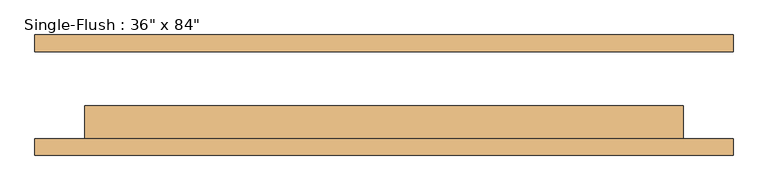
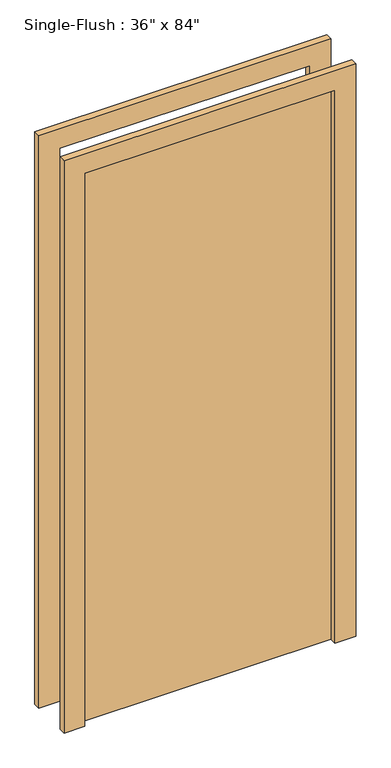
"""IFC4 building model written with IfcOpenShell, lengths in millimetres: door geometry."""

from ifc_helpers import new_model, si_unit, frame, origin, origin_with_axes, place, context, project, spatial, polyline, outline, extrude, source, transform, mapped, element, save


def door_c22736b6(model_context):
    return source(origin(), model_context, "Body", "SweptSolid", [
        extrude(outline(polyline([(2209.8, -533.4), (0.0, -533.4), (0.0, -457.2), (2133.6, -457.2), (2133.6, 457.2), (0.0, 457.2), (0.0, 533.4), (2209.8, 533.4), (2209.8, -533.4)])), frame((0.0, -92.075, 0.0), z_axis=(0.0, 1.0, 0.0), x_axis=(0.0, 0.0, 1.0)), (0.0, 0.0, 1.0), 25.4),
        extrude(outline(polyline([(2209.8, 533.4), (2209.8, -533.4), (0.0, -533.4), (0.0, -457.2), (2133.6, -457.2), (2133.6, 457.2), (0.0, 457.2), (0.0, 533.4), (2209.8, 533.4)])), frame((0.0, 66.675, 0.0), z_axis=(0.0, 1.0, 0.0), x_axis=(0.0, 0.0, 1.0)), (0.0, 0.0, 1.0), 25.4),
        extrude(outline(polyline([(457.2, -15.875), (457.2, -66.675), (-457.2, -66.675), (-457.2, -15.875), (457.2, -15.875)])), origin_with_axes(), (0.0, 0.0, 1.0), 2133.6),
    ])


if __name__ == "__main__":
    model = new_model("IFC4")
    model_context = context("Model", 3, world=origin())
    ifc_project = project(units=[si_unit("LENGTHUNIT", "METRE", prefix="MILLI")], contexts=[model_context])
    site = spatial("IfcSite", under=ifc_project)
    building = spatial("IfcBuilding", under=site)
    placement = place(None, origin())
    door_shape = door_c22736b6(model_context)
    element("IfcDoor", 1, ObjectType="Single-Flush : 36\" x 84\"", at=placement, inside=building, context=model_context, shape_type="MappedRepresentation", body=[
        mapped(door_shape, transform((0.0, 0.0, 0.0), x_axis=(1.0, 0.0, 0.0), y_axis=(0.0, 1.0, 0.0), z_axis=(0.0, 0.0, 1.0))),
    ])
    save(model, "model.ifc")
